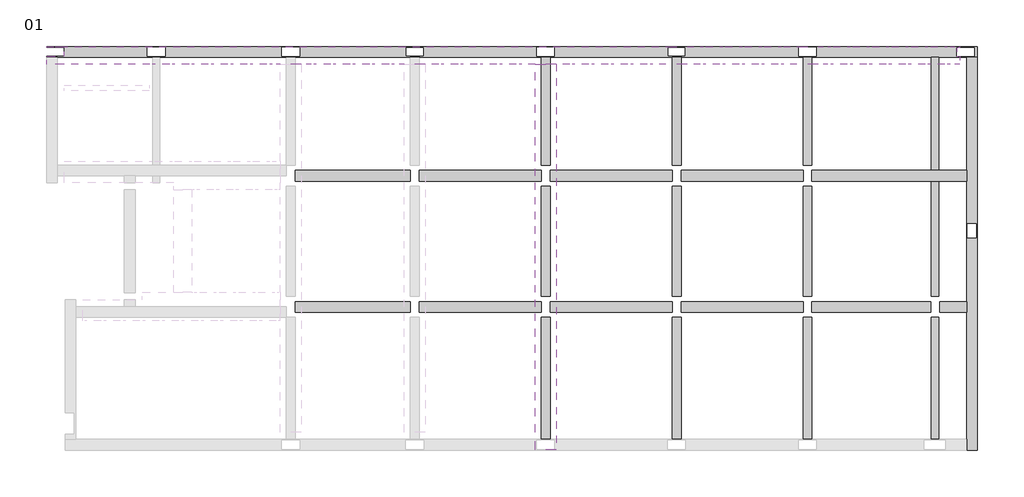
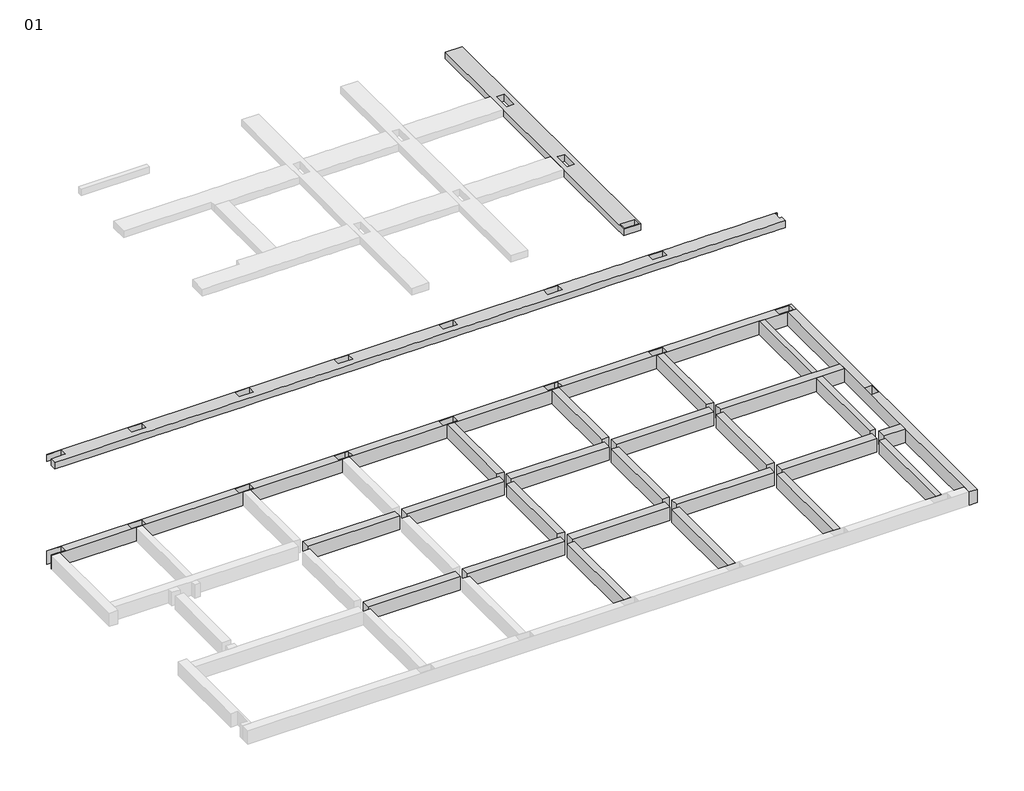
# One storey, part 2 of 2: 12 beams.
"""IFC4 building model written with IfcOpenShell, lengths in millimetres."""

from ifc_helpers import new_model, si_unit, frame, origin, place, context, project, spatial, polyline, outline, extrude, faceted_brep, element, save

model = new_model("IFC4")

# Units and contexts
model_context = context("Model", 3, world=origin())
ifc_project = project(units=[si_unit("LENGTHUNIT", "METRE", prefix="MILLI")], contexts=[model_context])

# Site, building, storey
site = spatial("IfcSite", under=ifc_project)
building = spatial("IfcBuilding", under=site)
storey = spatial("IfcBuildingStorey", under=building, Name="01", Elevation=-150.0)

# Beams
placement = place(None, origin())
element("IfcBeam", 1, ObjectType="B1 300 x 500 mm", at=placement, inside=storey, context=model_context, shape_type="Brep", body=[
    faceted_brep([(250.0, 128.106066, -150.0), (250.0, -121.893934, -150.0), (-250.0, -121.893934, -150.0), (-250.0, -146.893934, -150.0), (50.0, -146.893934, -150.0), (2753.7850434, -146.893934, -150.0), (2953.7850434, -146.893934, -150.0), (6525.0390798, -146.893934, -150.0), (6775.0390798, -146.893934, -150.0), (10025.0390798, -146.893934, -150.0), (10275.0390798, -146.893934, -150.0), (10275.0390798, -121.893934, -150.0), (9900.0390798, -121.893934, -150.0), (9900.0390798, 128.106066, -150.0), (10275.0390798, 128.106066, -150.0), (10275.0390798, 153.106066, -150.0), (-250.0, 153.106066, -150.0), (-250.0, 128.106066, -150.0), (2600.0, 128.106066, -150.0), (3100.0, 128.106066, -150.0), (3100.0, -121.893934, -150.0), (2600.0, -121.893934, -150.0), (6400.0390798, 128.106066, -150.0), (6900.0390798, 128.106066, -150.0), (6900.0390798, -121.893934, -150.0), (6400.0390798, -121.893934, -150.0), (-250.0, -146.893934, -650.0), (50.0, -146.893934, -650.0), (2753.7850434, -146.893934, -650.0), (2953.7850434, -146.893934, -650.0), (6525.0390798, -146.893934, -650.0), (6775.0390798, -146.893934, -650.0), (10025.0390798, -146.893934, -650.0), (10275.0390798, -146.893934, -650.0), (250.0, -121.893934, -650.0), (250.0, 128.106066, -650.0), (-250.0, 128.106066, -650.0), (-250.0, 153.106066, -650.0), (10275.0390798, 153.106066, -650.0), (10275.0390798, 128.106066, -650.0), (9900.0390798, 128.106066, -650.0), (9900.0390798, -121.893934, -650.0), (10275.0390798, -121.893934, -650.0), (-250.0, -121.893934, -650.0), (3100.0, 128.106066, -650.0), (2600.0, 128.106066, -650.0), (2600.0, -121.893934, -650.0), (3100.0, -121.893934, -650.0), (6900.0390798, 128.106066, -650.0), (6400.0390798, 128.106066, -650.0), (6400.0390798, -121.893934, -650.0), (6900.0390798, -121.893934, -650.0)], [[[0, 1, 2, 3, 4, 5, 6, 7, 8, 9, 10, 11, 12, 13, 14, 15, 16, 17], [18, 19, 20, 21], [22, 23, 24, 25]], [[3, 26, 27, 28, 29, 30, 31, 32, 33, 10, 9, 8, 7, 6, 5, 4]], [[34, 35, 36, 37, 38, 39, 40, 41, 42, 33, 32, 31, 30, 29, 28, 27, 26, 43], [44, 45, 46, 47], [48, 49, 50, 51]], [[37, 16, 15, 38]], [[34, 1, 0, 35]], [[35, 0, 17, 36]], [[1, 34, 43, 2]], [[18, 45, 44, 19]], [[45, 18, 21, 46]], [[46, 21, 20, 47]], [[19, 44, 47, 20]], [[22, 49, 48, 23]], [[49, 22, 25, 50]], [[50, 25, 24, 51]], [[23, 48, 51, 24]], [[13, 40, 39, 14]], [[40, 13, 12, 41]], [[41, 12, 11, 42]], [[26, 3, 2, 43]], [[16, 37, 36, 17]], [[10, 33, 42, 11]], [[38, 15, 14, 39]]]),
])
element("IfcBeam", 2, ObjectType="B1 300 x 500 mm", at=placement, inside=storey, context=model_context, shape_type="Brep", body=[
    faceted_brep([(25750.0000727, -11246.893934, -150.0), (26050.0000727, -11246.893934, -150.0), (26050.0000727, -146.893934, -150.0), (25750.0000727, -146.893934, -150.0), (25750.0000727, -3346.893934, -150.0), (25750.0000727, -3646.893934, -150.0), (25750.0000727, -7056.8939341, -150.0), (25750.0000727, -7356.8939341, -150.0), (25750.0000727, -10946.893934, -150.0), (25766.5, -5246.8939341, -150.0), (25766.5, -4846.8939341, -150.0), (26016.5, -4846.8939341, -150.0), (26016.5, -5246.8939341, -150.0), (25750.0000727, -11246.893934, -650.0), (25750.0000727, -146.893934, -650.0), (25750.0000727, -3346.893934, -650.0), (25750.0000727, -3646.893934, -650.0), (25750.0000727, -7056.8939341, -650.0), (25750.0000727, -7356.8939341, -650.0), (25750.0000727, -10946.893934, -650.0), (26050.0000727, -11246.893934, -650.0), (26050.0000727, -146.893934, -650.0), (25766.5, -4846.8939341, -650.0), (25766.5, -5246.8939341, -650.0), (26016.5, -5246.8939341, -650.0), (26016.5, -4846.8939341, -650.0)], [[[0, 1, 2, 3, 4, 5, 6, 7, 8], [9, 10, 11, 12]], [[13, 0, 8, 7, 6, 5, 4, 3, 14, 15, 16, 17, 18, 19]], [[20, 13, 19, 18, 17, 16, 15, 14, 21], [22, 23, 24, 25]], [[1, 20, 21, 2]], [[9, 23, 22, 10]], [[23, 9, 12, 24]], [[24, 12, 11, 25]], [[10, 22, 25, 11]], [[1, 0, 13, 20]], [[3, 2, 21, 14]]]),
])
element("IfcBeam", 3, ObjectType="B1 300 x 500 mm", at=placement, inside=storey, context=model_context, shape_type="Brep", body=[
    faceted_brep([(25750.0000727, -3646.893934, -150.0), (25750.0000727, -3646.893934, -650.0), (25750.0000727, -3346.893934, -650.0), (25750.0000727, -3346.893934, -150.0), (21375.0390798, -3646.893934, -150.0), (21375.0390798, -3346.893934, -150.0), (21375.0390798, -3346.893934, -650.0), (21375.0390798, -3646.893934, -650.0), (24950.0, -3346.893934, -150.0), (24750.0, -3346.893934, -150.0), (24750.0, -3646.893934, -150.0), (24950.0, -3646.893934, -150.0), (24950.0, -3346.893934, -650.0), (24750.0, -3346.893934, -650.0), (24950.0, -3646.893934, -650.0), (24750.0, -3646.893934, -650.0)], [[[0, 1, 2, 3]], [[4, 5, 6, 7]], [[0, 3, 8, 9, 5, 4, 10, 11]], [[3, 2, 12, 13, 6, 5, 9, 8]], [[2, 1, 14, 15, 7, 6, 13, 12]], [[1, 0, 11, 10, 4, 7, 15, 14]]]),
    faceted_brep([(21125.0390798, -3646.893934, -150.0), (21125.0390798, -3346.893934, -150.0), (17675.0390798, -3346.893934, -150.0), (17675.0390798, -3646.893934, -150.0), (21125.0390798, -3346.893934, -650.0), (17675.0390798, -3346.893934, -650.0), (21125.0390798, -3646.893934, -650.0), (17675.0390798, -3646.893934, -650.0)], [[[0, 1, 2, 3]], [[1, 4, 5, 2]], [[4, 6, 7, 5]], [[6, 0, 3, 7]], [[1, 0, 6, 4]], [[3, 2, 5, 7]]]),
    faceted_brep([(17425.0390798, -3346.893934, -150.0), (17425.0390798, -3646.893934, -150.0), (17425.0390798, -3646.893934, -650.0), (17425.0390798, -3346.893934, -650.0), (13975.0390798, -3646.893934, -150.0), (13975.0390798, -3346.893934, -150.0), (13975.0390798, -3346.893934, -650.0), (13975.0390798, -3646.893934, -650.0)], [[[0, 1, 2, 3]], [[4, 5, 6, 7]], [[1, 0, 5, 4]], [[0, 3, 6, 5]], [[3, 2, 7, 6]], [[2, 1, 4, 7]]]),
    faceted_brep([(10275.0390798, -3646.893934, -150.0), (13725.0390798, -3646.893934, -150.0), (13725.0390798, -3346.893934, -150.0), (10275.0390798, -3346.893934, -150.0), (13725.0390798, -3346.893934, -650.0), (10275.0390798, -3346.893934, -650.0), (13725.0390798, -3646.893934, -650.0), (10275.0390798, -3646.893934, -650.0)], [[[0, 1, 2, 3]], [[3, 2, 4, 5]], [[5, 4, 6, 7]], [[1, 0, 7, 6]], [[2, 1, 6, 4]], [[0, 3, 5, 7]]]),
    faceted_brep([(10025.0390798, -3346.893934, -150.0), (10025.0390798, -3646.893934, -150.0), (10025.0390798, -3646.893934, -650.0), (10025.0390798, -3346.893934, -650.0), (6775.0390798, -3346.893934, -150.0), (6775.0390798, -3646.893934, -150.0), (6775.0390798, -3346.893934, -650.0), (6775.0390798, -3646.893934, -650.0)], [[[0, 1, 2, 3]], [[1, 0, 4, 5]], [[0, 3, 6, 4]], [[3, 2, 7, 6]], [[2, 1, 5, 7]], [[5, 4, 6, 7]]]),
])
element("IfcBeam", 4, ObjectType="B1 300 x 500 mm", at=placement, inside=storey, context=model_context, shape_type="SweptSolid", body=[
    extrude(outline(polyline([(25750.0000727, -7056.8939341), (25750.0000727, -7356.8939341), (24985.2850434, -7356.8939341), (24985.2850434, -7056.8939341), (25750.0000727, -7056.8939341)])), frame((0.0, 0.0, -650.0), z_axis=(0.0, 0.0, 1.0), x_axis=(1.0, 0.0, 0.0)), (0.0, 0.0, 1.0), 500.0),
    extrude(outline(polyline([(24735.2850434, -7056.8939341), (24735.2850434, -7356.8939341), (21375.0390798, -7356.8939341), (21375.0390798, -7056.8939341), (24735.2850434, -7056.8939341)])), frame((0.0, 0.0, -650.0), z_axis=(0.0, 0.0, 1.0), x_axis=(1.0, 0.0, 0.0)), (0.0, 0.0, 1.0), 500.0),
    extrude(outline(polyline([(21125.0390798, -7056.8939341), (21125.0390798, -7356.8939341), (17675.0390798, -7356.8939341), (17675.0390798, -7056.8939341), (21125.0390798, -7056.8939341)])), frame((0.0, 0.0, -650.0), z_axis=(0.0, 0.0, 1.0), x_axis=(1.0, 0.0, 0.0)), (0.0, 0.0, 1.0), 500.0),
    extrude(outline(polyline([(13975.0390798, -7056.8939341), (17425.0390798, -7056.8939341), (17425.0390798, -7356.8939341), (13975.0390798, -7356.8939341), (13975.0390798, -7056.8939341)])), frame((0.0, 0.0, -650.0), z_axis=(0.0, 0.0, 1.0), x_axis=(1.0, 0.0, 0.0)), (0.0, 0.0, 1.0), 500.0),
    extrude(outline(polyline([(10275.0390798, -7056.8939341), (13725.0390798, -7056.8939341), (13725.0390798, -7356.8939341), (10275.0390798, -7356.8939341), (10275.0390798, -7056.8939341)])), frame((0.0, 0.0, -650.0), z_axis=(0.0, 0.0, 1.0), x_axis=(1.0, 0.0, 0.0)), (0.0, 0.0, 1.0), 500.0),
    extrude(outline(polyline([(10025.0390798, -7056.8939341), (10025.0390798, -7356.8939341), (6775.0390798, -7356.8939341), (6775.0390798, -7056.8939341), (10025.0390798, -7056.8939341)])), frame((0.0, 0.0, -650.0), z_axis=(0.0, 0.0, 1.0), x_axis=(1.0, 0.0, 0.0)), (0.0, 0.0, 1.0), 500.0),
])
element("IfcBeam", 5, ObjectType="B1 300 x 500 mm", at=placement, inside=storey, context=model_context, shape_type="Brep", body=[
    faceted_brep([(10400.0390798, 128.106066, -150.0), (10400.0390798, -121.893934, -150.0), (10275.0390798, -121.893934, -150.0), (10275.0390798, -146.893934, -150.0), (13725.0390798, -146.893934, -150.0), (13975.0390798, -146.893934, -150.0), (17425.0390798, -146.893934, -150.0), (17675.0390798, -146.893934, -150.0), (17675.0390798, -121.893934, -150.0), (17300.0390798, -121.893934, -150.0), (17300.0390798, 128.106066, -150.0), (17675.0390798, 128.106066, -150.0), (17675.0390798, 153.106066, -150.0), (10275.0390798, 153.106066, -150.0), (10275.0390798, 128.106066, -150.0), (14100.0390798, 128.106066, -150.0), (14100.0390798, -121.893934, -150.0), (13600.0390798, -121.893934, -150.0), (13600.0390798, 128.106066, -150.0), (17675.0390798, -146.893934, -650.0), (10275.0390798, -146.893934, -650.0), (13725.0390798, -146.893934, -650.0), (13975.0390798, -146.893934, -650.0), (17425.0390798, -146.893934, -650.0), (10400.0390798, -121.893934, -650.0), (10400.0390798, 128.106066, -650.0), (10275.0390798, 128.106066, -650.0), (10275.0390798, 153.106066, -650.0), (17675.0390798, 153.106066, -650.0), (17675.0390798, 128.106066, -650.0), (17300.0390798, 128.106066, -650.0), (17300.0390798, -121.893934, -650.0), (17675.0390798, -121.893934, -650.0), (10275.0390798, -121.893934, -650.0), (14100.0390798, -121.893934, -650.0), (14100.0390798, 128.106066, -650.0), (13600.0390798, 128.106066, -650.0), (13600.0390798, -121.893934, -650.0)], [[[0, 1, 2, 3, 4, 5, 6, 7, 8, 9, 10, 11, 12, 13, 14], [15, 16, 17, 18]], [[19, 7, 6, 5, 4, 3, 20, 21, 22, 23]], [[24, 25, 26, 27, 28, 29, 30, 31, 32, 19, 23, 22, 21, 20, 33], [34, 35, 36, 37]], [[12, 28, 27, 13]], [[24, 1, 0, 25]], [[25, 0, 14, 26]], [[1, 24, 33, 2]], [[34, 16, 15, 35]], [[35, 15, 18, 36]], [[36, 18, 17, 37]], [[16, 34, 37, 17]], [[10, 30, 29, 11]], [[30, 10, 9, 31]], [[31, 9, 8, 32]], [[3, 2, 33, 20]], [[14, 13, 27, 26]], [[7, 19, 32, 8]], [[28, 12, 11, 29]]]),
])
element("IfcBeam", 6, ObjectType="B1 300 x 500 mm", at=placement, inside=storey, context=model_context, shape_type="Brep", body=[
    faceted_brep([(26050.0000727, 153.106066, -150.0), (26050.0000727, -146.893934, -150.0), (26050.0000727, -146.893934, -650.0), (26050.0000727, 153.106066, -650.0), (17675.0390798, 153.106066, -150.0), (17675.0390798, 128.106066, -150.0), (17800.0390798, 128.106066, -150.0), (17800.0390798, -121.893934, -150.0), (17675.0390798, -121.893934, -150.0), (17675.0390798, -146.893934, -150.0), (21125.0390798, -146.893934, -150.0), (21375.0390798, -146.893934, -150.0), (24750.0, -146.893934, -150.0), (24950.0, -146.893934, -150.0), (25750.0000727, -146.893934, -150.0), (21500.0390798, 128.106066, -150.0), (21500.0390798, -121.893934, -150.0), (21000.0390798, -121.893934, -150.0), (21000.0390798, 128.106066, -150.0), (25966.5, 125.0, -150.0), (25966.5, -125.0, -150.0), (25466.5, -125.0, -150.0), (25466.5, 125.0, -150.0), (17675.0390798, -146.893934, -650.0), (21125.0390798, -146.893934, -650.0), (21375.0390798, -146.893934, -650.0), (24750.0, -146.893934, -650.0), (24950.0, -146.893934, -650.0), (25750.0000727, -146.893934, -650.0), (17675.0390798, -121.893934, -650.0), (17800.0390798, -121.893934, -650.0), (17800.0390798, 128.106066, -650.0), (17675.0390798, 128.106066, -650.0), (17675.0390798, 153.106066, -650.0), (21500.0390798, -121.893934, -650.0), (21500.0390798, 128.106066, -650.0), (21000.0390798, 128.106066, -650.0), (21000.0390798, -121.893934, -650.0), (25966.5, -125.0, -650.0), (25966.5, 125.0, -650.0), (25466.5, 125.0, -650.0), (25466.5, -125.0, -650.0)], [[[0, 1, 2, 3]], [[1, 0, 4, 5, 6, 7, 8, 9, 10, 11, 12, 13, 14], [15, 16, 17, 18], [19, 20, 21, 22]], [[2, 1, 14, 13, 12, 11, 10, 9, 23, 24, 25, 26, 27, 28]], [[3, 2, 28, 27, 26, 25, 24, 23, 29, 30, 31, 32, 33], [34, 35, 36, 37], [38, 39, 40, 41]], [[0, 3, 33, 4]], [[30, 7, 6, 31]], [[31, 6, 5, 32]], [[7, 30, 29, 8]], [[34, 16, 15, 35]], [[35, 15, 18, 36]], [[36, 18, 17, 37]], [[16, 34, 37, 17]], [[38, 20, 19, 39]], [[39, 19, 22, 40]], [[40, 22, 21, 41]], [[20, 38, 41, 21]], [[9, 8, 29, 23]], [[5, 4, 33, 32]]]),
])
element("IfcBeam", 7, ObjectType="B2 250 x 500 mm", at=placement, inside=storey, context=model_context, shape_type="SweptSolid", body=[
    extrude(outline(polyline([(21125.0390798, -146.893934), (21375.0390798, -146.893934), (21375.0390798, -3195.451857), (21125.0390798, -3195.451857), (21125.0390798, -146.893934)])), frame((0.0, 0.0, -650.0), z_axis=(0.0, 0.0, 1.0), x_axis=(1.0, 0.0, 0.0)), (0.0, 0.0, 1.0), 500.0),
    extrude(outline(polyline([(21375.0390798, -10946.8939341), (21125.0390798, -10946.8939341), (21125.0390798, -7496.8939341), (21375.0390798, -7496.8939341), (21375.0390798, -10946.8939341)])), frame((0.0, 0.0, -650.0), z_axis=(0.0, 0.0, 1.0), x_axis=(1.0, 0.0, 0.0)), (0.0, 0.0, 1.0), 500.0),
    extrude(outline(polyline([(21375.0390798, -6896.8939341), (21125.0390798, -6896.8939341), (21125.0390798, -3795.451857), (21375.0390798, -3795.451857), (21375.0390798, -6896.8939341)])), frame((0.0, 0.0, -650.0), z_axis=(0.0, 0.0, 1.0), x_axis=(1.0, 0.0, 0.0)), (0.0, 0.0, 1.0), 500.0),
])
element("IfcBeam", 8, ObjectType="B2 250 x 500 mm", at=placement, inside=storey, context=model_context, shape_type="SweptSolid", body=[
    extrude(outline(polyline([(17675.0390798, -3195.451857), (17425.0390798, -3195.451857), (17425.0390798, -146.893934), (17675.0390798, -146.893934), (17675.0390798, -3195.451857)])), frame((0.0, 0.0, -650.0), z_axis=(0.0, 0.0, 1.0), x_axis=(1.0, 0.0, 0.0)), (0.0, 0.0, 1.0), 500.0),
    extrude(outline(polyline([(17675.0390798, -10946.8939341), (17425.0390798, -10946.8939341), (17425.0390798, -7496.8939341), (17675.0390798, -7496.8939341), (17675.0390798, -10946.8939341)])), frame((0.0, 0.0, -650.0), z_axis=(0.0, 0.0, 1.0), x_axis=(1.0, 0.0, 0.0)), (0.0, 0.0, 1.0), 500.0),
    extrude(outline(polyline([(17675.0390798, -6896.8939341), (17425.0390798, -6896.8939341), (17425.0390798, -3795.451857), (17675.0390798, -3795.451857), (17675.0390798, -6896.8939341)])), frame((0.0, 0.0, -650.0), z_axis=(0.0, 0.0, 1.0), x_axis=(1.0, 0.0, 0.0)), (0.0, 0.0, 1.0), 500.0),
])
element("IfcBeam", 9, ObjectType="B2 250 x 500 mm", at=placement, inside=storey, context=model_context, shape_type="SweptSolid", body=[
    extrude(outline(polyline([(13725.0390798, -146.893934), (13975.0390798, -146.893934), (13975.0390798, -3195.451857), (13725.0390798, -3195.451857), (13725.0390798, -146.893934)])), frame((0.0, 0.0, -650.0), z_axis=(0.0, 0.0, 1.0), x_axis=(1.0, 0.0, 0.0)), (0.0, 0.0, 1.0), 500.0),
    extrude(outline(polyline([(13975.0390798, -10946.893934), (13725.0390798, -10946.893934), (13725.0390798, -7496.8939341), (13975.0390798, -7496.8939341), (13975.0390798, -10946.893934)])), frame((0.0, 0.0, -650.0), z_axis=(0.0, 0.0, 1.0), x_axis=(1.0, 0.0, 0.0)), (0.0, 0.0, 1.0), 500.0),
    extrude(outline(polyline([(13975.0390798, -6896.8939341), (13725.0390798, -6896.8939341), (13725.0390798, -3795.451857), (13975.0390798, -3795.451857), (13975.0390798, -6896.8939341)])), frame((0.0, 0.0, -650.0), z_axis=(0.0, 0.0, 1.0), x_axis=(1.0, 0.0, 0.0)), (0.0, 0.0, 1.0), 500.0),
])
element("IfcBeam", 10, ObjectType="B3 200 x 500 mm 2", at=placement, inside=storey, context=model_context, shape_type="SweptSolid", body=[
    extrude(outline(polyline([(24750.0, -146.893934), (24950.0, -146.893934), (24950.0, -3346.893934), (24750.0, -3346.893934), (24750.0, -146.893934)])), frame((0.0, 0.0, -650.0), z_axis=(0.0, 0.0, 1.0), x_axis=(1.0, 0.0, 0.0)), (0.0, 0.0, 1.0), 500.0),
    extrude(outline(polyline([(24950.0, -10946.893934), (24750.0, -10946.893934), (24750.0, -7496.8939341), (24950.0, -7496.8939341), (24950.0, -10946.893934)])), frame((0.0, 0.0, -650.0), z_axis=(0.0, 0.0, 1.0), x_axis=(1.0, 0.0, 0.0)), (0.0, 0.0, 1.0), 500.0),
    extrude(outline(polyline([(24950.0, -6896.8939341), (24750.0, -6896.8939341), (24750.0, -3646.893934), (24950.0, -3646.893934), (24950.0, -6896.8939341)])), frame((0.0, 0.0, -650.0), z_axis=(0.0, 0.0, 1.0), x_axis=(1.0, 0.0, 0.0)), (0.0, 0.0, 1.0), 500.0),
])
element("IfcBeam", 11, ObjectType="B5 500 x 250 mm", at=placement, inside=storey, context=model_context, shape_type="Brep", body=[
    faceted_brep([(250.0, -121.893934, 3450.0), (-250.0, -121.893934, 3450.0), (-250.0, -346.893934, 3450.0), (250.0, -346.893934, 3450.0), (2664.8770182, -346.893934, 3450.0), (2814.8770182, -346.893934, 3450.0), (3225.0195399, -346.893934, 3450.0), (3375.0195399, -346.893934, 3450.0), (3775.0195399, -346.893934, 3450.0), (3925.0195399, -346.893934, 3450.0), (4325.0195399, -346.893934, 3450.0), (4475.0195399, -346.893934, 3450.0), (4875.0195399, -346.893934, 3450.0), (5025.0195399, -346.893934, 3450.0), (5425.0195399, -346.893934, 3450.0), (5575.0195399, -346.893934, 3450.0), (5975.0195399, -346.893934, 3450.0), (6125.0195399, -346.893934, 3450.0), (6350.0390798, -346.893934, 3450.0), (6950.0390798, -346.893934, 3450.0), (7225.0390798, -346.893934, 3450.0), (7375.0390798, -346.893934, 3450.0), (7775.0390798, -346.893934, 3450.0), (7925.0390798, -346.893934, 3450.0), (8325.0390798, -346.893934, 3450.0), (8475.0390798, -346.893934, 3450.0), (8875.0390798, -346.893934, 3450.0), (9025.0390798, -346.893934, 3450.0), (9425.0390798, -346.893934, 3450.0), (9575.0390798, -346.893934, 3450.0), (9850.0390798, -346.893934, 3450.0), (10450.0390798, -346.893934, 3450.0), (10825.0390798, -346.893934, 3450.0), (10975.0390798, -346.893934, 3450.0), (11375.0390798, -346.893934, 3450.0), (11525.0390798, -346.893934, 3450.0), (11925.0390798, -346.893934, 3450.0), (12075.0390798, -346.893934, 3450.0), (12475.0390798, -346.893934, 3450.0), (12625.0390798, -346.893934, 3450.0), (13025.0390798, -346.893934, 3450.0), (13175.0390798, -346.893934, 3450.0), (13550.0390798, -346.893934, 3450.0), (14150.0390798, -346.893934, 3450.0), (14525.0390798, -346.893934, 3450.0), (14675.0390798, -346.893934, 3450.0), (15075.0390798, -346.893934, 3450.0), (15225.0390798, -346.893934, 3450.0), (15625.0390798, -346.893934, 3450.0), (15775.0390798, -346.893934, 3450.0), (16175.0390798, -346.893934, 3450.0), (16325.0390798, -346.893934, 3450.0), (16725.0390798, -346.893934, 3450.0), (16875.0390798, -346.893934, 3450.0), (17250.0390798, -346.893934, 3450.0), (17850.0390798, -346.893934, 3450.0), (18225.0390798, -346.893934, 3450.0), (18375.0390798, -346.893934, 3450.0), (18775.0390798, -346.893934, 3450.0), (18925.0390798, -346.893934, 3450.0), (19325.0390798, -346.893934, 3450.0), (19475.0390798, -346.893934, 3450.0), (19875.0390798, -346.893934, 3450.0), (20025.0390798, -346.893934, 3450.0), (20425.0390798, -346.893934, 3450.0), (20575.0390798, -346.893934, 3450.0), (20950.0390798, -346.893934, 3450.0), (21550.0390798, -346.893934, 3450.0), (21825.0195763, -346.893934, 3450.0), (21975.0195763, -346.893934, 3450.0), (22375.0195763, -346.893934, 3450.0), (22525.0195763, -346.893934, 3450.0), (22925.0195763, -346.893934, 3450.0), (23075.0195763, -346.893934, 3450.0), (23475.0195763, -346.893934, 3450.0), (23625.0195763, -346.893934, 3450.0), (24025.0195763, -346.893934, 3450.0), (24175.0195763, -346.893934, 3450.0), (24575.0195763, -346.893934, 3450.0), (24725.0195763, -346.893934, 3450.0), (25125.0195763, -346.893934, 3450.0), (25275.0195763, -346.893934, 3450.0), (25550.0000727, -346.893934, 3450.0), (25550.0000727, -125.0, 3450.0), (25466.5, -125.0, 3450.0), (25466.5, 125.0, 3450.0), (25550.0000727, 125.0, 3450.0), (25550.0000727, 153.106066, 3450.0), (25275.0195763, 153.106066, 3450.0), (25125.0195763, 153.106066, 3450.0), (24725.0195763, 153.106066, 3450.0), (24575.0195763, 153.106066, 3450.0), (24175.0195763, 153.106066, 3450.0), (24025.0195763, 153.106066, 3450.0), (23625.0195763, 153.106066, 3450.0), (23475.0195763, 153.106066, 3450.0), (23075.0195763, 153.106066, 3450.0), (22925.0195763, 153.106066, 3450.0), (22525.0195763, 153.106066, 3450.0), (22375.0195763, 153.106066, 3450.0), (21975.0195763, 153.106066, 3450.0), (21825.0195763, 153.106066, 3450.0), (21550.0390798, 153.106066, 3450.0), (20950.0390798, 153.106066, 3450.0), (20575.0390798, 153.106066, 3450.0), (20425.0390798, 153.106066, 3450.0), (20025.0390798, 153.106066, 3450.0), (19875.0390798, 153.106066, 3450.0), (19475.0390798, 153.106066, 3450.0), (19325.0390798, 153.106066, 3450.0), (18925.0390798, 153.106066, 3450.0), (18775.0390798, 153.106066, 3450.0), (18375.0390798, 153.106066, 3450.0), (18225.0390798, 153.106066, 3450.0), (17850.0390798, 153.106066, 3450.0), (17250.0390798, 153.106066, 3450.0), (-250.0, 153.106066, 3450.0), (-250.0, 128.106066, 3450.0), (250.0, 128.106066, 3450.0), (2600.0, -121.893934, 3450.0), (2600.0, 128.106066, 3450.0), (3100.0, 128.106066, 3450.0), (3100.0, -121.893934, 3450.0), (6400.0390798, -121.893934, 3450.0), (6400.0390798, 128.106066, 3450.0), (6900.0390798, 128.106066, 3450.0), (6900.0390798, -121.893934, 3450.0), (9900.0390798, -121.893934, 3450.0), (9900.0390798, 128.106066, 3450.0), (10400.0390798, 128.106066, 3450.0), (10400.0390798, -121.893934, 3450.0), (13600.0390798, -121.893934, 3450.0), (13600.0390798, 128.106066, 3450.0), (14100.0390798, 128.106066, 3450.0), (14100.0390798, -121.893934, 3450.0), (17300.0390798, -121.893934, 3450.0), (17300.0390798, 128.106066, 3450.0), (17800.0390798, 128.106066, 3450.0), (17800.0390798, -121.893934, 3450.0), (21000.0390798, -121.893934, 3450.0), (21000.0390798, 128.106066, 3450.0), (21500.0390798, 128.106066, 3450.0), (21500.0390798, -121.893934, 3450.0), (-250.0, -346.893934, 3200.0), (250.0, -346.893934, 3200.0), (2664.8770182, -346.893934, 3200.0), (2814.8770182, -346.893934, 3200.0), (3225.0195399, -346.893934, 3200.0), (3375.0195399, -346.893934, 3200.0), (3775.0195399, -346.893934, 3200.0), (3925.0195399, -346.893934, 3200.0), (4325.0195399, -346.893934, 3200.0), (4475.0195399, -346.893934, 3200.0), (4875.0195399, -346.893934, 3200.0), (5025.0195399, -346.893934, 3200.0), (5425.0195399, -346.893934, 3200.0), (5575.0195399, -346.893934, 3200.0), (5975.0195399, -346.893934, 3200.0), (6125.0195399, -346.893934, 3200.0), (6350.0390798, -346.893934, 3200.0), (6950.0390798, -346.893934, 3200.0), (7225.0390798, -346.893934, 3200.0), (7375.0390798, -346.893934, 3200.0), (7775.0390798, -346.893934, 3200.0), (7925.0390798, -346.893934, 3200.0), (8325.0390798, -346.893934, 3200.0), (8475.0390798, -346.893934, 3200.0), (8875.0390798, -346.893934, 3200.0), (9025.0390798, -346.893934, 3200.0), (9425.0390798, -346.893934, 3200.0), (9575.0390798, -346.893934, 3200.0), (9850.0390798, -346.893934, 3200.0), (10450.0390798, -346.893934, 3200.0), (10825.0390798, -346.893934, 3200.0), (10975.0390798, -346.893934, 3200.0), (11375.0390798, -346.893934, 3200.0), (11525.0390798, -346.893934, 3200.0), (11925.0390798, -346.893934, 3200.0), (12075.0390798, -346.893934, 3200.0), (12475.0390798, -346.893934, 3200.0), (12625.0390798, -346.893934, 3200.0), (13025.0390798, -346.893934, 3200.0), (13175.0390798, -346.893934, 3200.0), (13550.0390798, -346.893934, 3200.0), (14150.0390798, -346.893934, 3200.0), (14525.0390798, -346.893934, 3200.0), (14675.0390798, -346.893934, 3200.0), (15075.0390798, -346.893934, 3200.0), (15225.0390798, -346.893934, 3200.0), (15625.0390798, -346.893934, 3200.0), (15775.0390798, -346.893934, 3200.0), (16175.0390798, -346.893934, 3200.0), (16325.0390798, -346.893934, 3200.0), (16725.0390798, -346.893934, 3200.0), (16875.0390798, -346.893934, 3200.0), (17250.0390798, -346.893934, 3200.0), (17850.0390798, -346.893934, 3200.0), (18225.0390798, -346.893934, 3200.0), (18375.0390798, -346.893934, 3200.0), (18775.0390798, -346.893934, 3200.0), (18925.0390798, -346.893934, 3200.0), (19325.0390798, -346.893934, 3200.0), (19475.0390798, -346.893934, 3200.0), (19875.0390798, -346.893934, 3200.0), (20025.0390798, -346.893934, 3200.0), (20425.0390798, -346.893934, 3200.0), (20575.0390798, -346.893934, 3200.0), (20950.0390798, -346.893934, 3200.0), (21550.0390798, -346.893934, 3200.0), (21825.0195763, -346.893934, 3200.0), (21975.0195763, -346.893934, 3200.0), (22375.0195763, -346.893934, 3200.0), (22525.0195763, -346.893934, 3200.0), (22925.0195763, -346.893934, 3200.0), (23075.0195763, -346.893934, 3200.0), (23475.0195763, -346.893934, 3200.0), (23625.0195763, -346.893934, 3200.0), (24025.0195763, -346.893934, 3200.0), (24175.0195763, -346.893934, 3200.0), (24575.0195763, -346.893934, 3200.0), (24725.0195763, -346.893934, 3200.0), (25125.0195763, -346.893934, 3200.0), (25275.0195763, -346.893934, 3200.0), (25550.0000727, -346.893934, 3200.0), (-250.0, -121.893934, 3200.0), (250.0, -121.893934, 3200.0), (250.0, 128.106066, 3200.0), (-250.0, 128.106066, 3200.0), (-250.0, 153.106066, 3200.0), (17250.0390798, 153.106066, 3200.0), (17850.0390798, 153.106066, 3200.0), (18225.0390798, 153.106066, 3200.0), (18375.0390798, 153.106066, 3200.0), (18775.0390798, 153.106066, 3200.0), (18925.0390798, 153.106066, 3200.0), (19325.0390798, 153.106066, 3200.0), (19475.0390798, 153.106066, 3200.0), (19875.0390798, 153.106066, 3200.0), (20025.0390798, 153.106066, 3200.0), (20425.0390798, 153.106066, 3200.0), (20575.0390798, 153.106066, 3200.0), (20950.0390798, 153.106066, 3200.0), (21550.0390798, 153.106066, 3200.0), (21825.0195763, 153.106066, 3200.0), (21975.0195763, 153.106066, 3200.0), (22375.0195763, 153.106066, 3200.0), (22525.0195763, 153.106066, 3200.0), (22925.0195763, 153.106066, 3200.0), (23075.0195763, 153.106066, 3200.0), (23475.0195763, 153.106066, 3200.0), (23625.0195763, 153.106066, 3200.0), (24025.0195763, 153.106066, 3200.0), (24175.0195763, 153.106066, 3200.0), (24575.0195763, 153.106066, 3200.0), (24725.0195763, 153.106066, 3200.0), (25125.0195763, 153.106066, 3200.0), (25275.0195763, 153.106066, 3200.0), (25550.0000727, 153.106066, 3200.0), (25550.0000727, 125.0, 3200.0), (25466.5, 125.0, 3200.0), (25466.5, -125.0, 3200.0), (25550.0000727, -125.0, 3200.0), (2600.0, 128.106066, 3200.0), (2600.0, -121.893934, 3200.0), (3100.0, -121.893934, 3200.0), (3100.0, 128.106066, 3200.0), (6400.0390798, 128.106066, 3200.0), (6400.0390798, -121.893934, 3200.0), (6900.0390798, -121.893934, 3200.0), (6900.0390798, 128.106066, 3200.0), (9900.0390798, 128.106066, 3200.0), (9900.0390798, -121.893934, 3200.0), (10400.0390798, -121.893934, 3200.0), (10400.0390798, 128.106066, 3200.0), (13600.0390798, 128.106066, 3200.0), (13600.0390798, -121.893934, 3200.0), (14100.0390798, -121.893934, 3200.0), (14100.0390798, 128.106066, 3200.0), (17300.0390798, 128.106066, 3200.0), (17300.0390798, -121.893934, 3200.0), (17800.0390798, -121.893934, 3200.0), (17800.0390798, 128.106066, 3200.0), (21000.0390798, 128.106066, 3200.0), (21000.0390798, -121.893934, 3200.0), (21500.0390798, -121.893934, 3200.0), (21500.0390798, 128.106066, 3200.0)], [[[0, 1, 2, 3, 4, 5, 6, 7, 8, 9, 10, 11, 12, 13, 14, 15, 16, 17, 18, 19, 20, 21, 22, 23, 24, 25, 26, 27, 28, 29, 30, 31, 32, 33, 34, 35, 36, 37, 38, 39, 40, 41, 42, 43, 44, 45, 46, 47, 48, 49, 50, 51, 52, 53, 54, 55, 56, 57, 58, 59, 60, 61, 62, 63, 64, 65, 66, 67, 68, 69, 70, 71, 72, 73, 74, 75, 76, 77, 78, 79, 80, 81, 82, 83, 84, 85, 86, 87, 88, 89, 90, 91, 92, 93, 94, 95, 96, 97, 98, 99, 100, 101, 102, 103, 104, 105, 106, 107, 108, 109, 110, 111, 112, 113, 114, 115, 116, 117, 118], [119, 120, 121, 122], [123, 124, 125, 126], [127, 128, 129, 130], [131, 132, 133, 134], [135, 136, 137, 138], [139, 140, 141, 142]], [[2, 143, 144, 145, 146, 147, 148, 149, 150, 151, 152, 153, 154, 155, 156, 157, 158, 159, 160, 161, 162, 163, 164, 165, 166, 167, 168, 169, 170, 171, 172, 173, 174, 175, 176, 177, 178, 179, 180, 181, 182, 183, 184, 185, 186, 187, 188, 189, 190, 191, 192, 193, 194, 195, 196, 197, 198, 199, 200, 201, 202, 203, 204, 205, 206, 207, 208, 209, 210, 211, 212, 213, 214, 215, 216, 217, 218, 219, 220, 221, 222, 223, 82, 81, 80, 79, 78, 77, 76, 75, 74, 73, 72, 71, 70, 69, 68, 67, 66, 65, 64, 63, 62, 61, 60, 59, 58, 57, 56, 55, 54, 53, 52, 51, 50, 49, 48, 47, 46, 45, 44, 43, 42, 41, 40, 39, 38, 37, 36, 35, 34, 33, 32, 31, 30, 29, 28, 27, 26, 25, 24, 23, 22, 21, 20, 19, 18, 17, 16, 15, 14, 13, 12, 11, 10, 9, 8, 7, 6, 5, 4, 3]], [[224, 225, 226, 227, 228, 229, 230, 231, 232, 233, 234, 235, 236, 237, 238, 239, 240, 241, 242, 243, 244, 245, 246, 247, 248, 249, 250, 251, 252, 253, 254, 255, 256, 257, 258, 259, 260, 261, 223, 222, 221, 220, 219, 218, 217, 216, 215, 214, 213, 212, 211, 210, 209, 208, 207, 206, 205, 204, 203, 202, 201, 200, 199, 198, 197, 196, 195, 194, 193, 192, 191, 190, 189, 188, 187, 186, 185, 184, 183, 182, 181, 180, 179, 178, 177, 176, 175, 174, 173, 172, 171, 170, 169, 168, 167, 166, 165, 164, 163, 162, 161, 160, 159, 158, 157, 156, 155, 154, 153, 152, 151, 150, 149, 148, 147, 146, 145, 144, 143], [262, 263, 264, 265], [266, 267, 268, 269], [270, 271, 272, 273], [274, 275, 276, 277], [278, 279, 280, 281], [282, 283, 284, 285]], [[228, 116, 115, 114, 113, 112, 111, 110, 109, 108, 107, 106, 105, 104, 103, 102, 101, 100, 99, 98, 97, 96, 95, 94, 93, 92, 91, 90, 89, 88, 87, 257, 256, 255, 254, 253, 252, 251, 250, 249, 248, 247, 246, 245, 244, 243, 242, 241, 240, 239, 238, 237, 236, 235, 234, 233, 232, 231, 230, 229]], [[225, 224, 1, 0]], [[226, 225, 0, 118]], [[227, 226, 118, 117]], [[263, 262, 120, 119]], [[264, 263, 119, 122]], [[262, 265, 121, 120]], [[265, 264, 122, 121]], [[267, 266, 124, 123]], [[268, 267, 123, 126]], [[266, 269, 125, 124]], [[269, 268, 126, 125]], [[271, 270, 128, 127]], [[272, 271, 127, 130]], [[270, 273, 129, 128]], [[273, 272, 130, 129]], [[275, 274, 132, 131]], [[276, 275, 131, 134]], [[274, 277, 133, 132]], [[277, 276, 134, 133]], [[279, 278, 136, 135]], [[280, 279, 135, 138]], [[278, 281, 137, 136]], [[281, 280, 138, 137]], [[283, 282, 140, 139]], [[284, 283, 139, 142]], [[282, 285, 141, 140]], [[285, 284, 142, 141]], [[260, 259, 85, 84]], [[260, 84, 83, 261]], [[85, 259, 258, 86]], [[83, 82, 223, 261]], [[87, 86, 258, 257]], [[116, 228, 227, 117]], [[143, 2, 1, 224]]]),
])
element("IfcBeam", 12, ObjectType="B6 600 x 250 mm", at=placement, inside=storey, context=model_context, shape_type="Brep", body=[
    faceted_brep([(13550.0390798, -346.893934, 13950.0), (14150.0390798, -346.893934, 13950.0), (14150.0390798, -346.893934, 13700.0), (13550.0390798, -346.893934, 13700.0), (13550.0390798, -3095.451857, 13950.0), (13550.0390798, -3895.451857, 13950.0), (13550.0390798, -6796.8939341, 13950.0), (13550.0390798, -7596.8939341, 13950.0), (13550.0390798, -10746.893934, 13950.0), (13550.0390798, -11246.893934, 13950.0), (14150.0390798, -11246.893934, 13950.0), (13600.0390798, -11221.8939341, 13950.0), (13600.0390798, -10971.8939341, 13950.0), (14100.0390798, -10971.8939341, 13950.0), (14100.0390798, -11221.8939341, 13950.0), (13725.0390798, -7496.8939341, 13950.0), (13725.0390798, -6896.8939341, 13950.0), (13975.0390798, -6896.8939341, 13950.0), (13975.0390798, -7496.8939341, 13950.0), (13725.0390798, -3795.451857, 13950.0), (13725.0390798, -3195.451857, 13950.0), (13975.0390798, -3195.451857, 13950.0), (13975.0390798, -3795.451857, 13950.0), (14150.0390798, -11246.893934, 13700.0), (13550.0390798, -11246.893934, 13700.0), (13550.0390798, -10746.893934, 13700.0), (13550.0390798, -7596.8939341, 13700.0), (13550.0390798, -6796.8939341, 13700.0), (13550.0390798, -3895.451857, 13700.0), (13550.0390798, -3095.451857, 13700.0), (13600.0390798, -10971.8939341, 13700.0), (13600.0390798, -11221.8939341, 13700.0), (14100.0390798, -11221.8939341, 13700.0), (14100.0390798, -10971.8939341, 13700.0), (13725.0390798, -6896.8939341, 13700.0), (13725.0390798, -7496.8939341, 13700.0), (13975.0390798, -7496.8939341, 13700.0), (13975.0390798, -6896.8939341, 13700.0), (13725.0390798, -3195.451857, 13700.0), (13725.0390798, -3795.451857, 13700.0), (13975.0390798, -3795.451857, 13700.0), (13975.0390798, -3195.451857, 13700.0)], [[[0, 1, 2, 3]], [[1, 0, 4, 5, 6, 7, 8, 9, 10], [11, 12, 13, 14], [15, 16, 17, 18], [19, 20, 21, 22]], [[2, 1, 10, 23]], [[3, 2, 23, 24, 25, 26, 27, 28, 29], [30, 31, 32, 33], [34, 35, 36, 37], [38, 39, 40, 41]], [[0, 3, 29, 28, 27, 26, 25, 24, 9, 8, 7, 6, 5, 4]], [[10, 9, 24, 23]], [[30, 12, 11, 31]], [[31, 11, 14, 32]], [[32, 14, 13, 33]], [[12, 30, 33, 13]], [[15, 35, 34, 16]], [[35, 15, 18, 36]], [[36, 18, 17, 37]], [[16, 34, 37, 17]], [[38, 20, 19, 39]], [[39, 19, 22, 40]], [[40, 22, 21, 41]], [[20, 38, 41, 21]]]),
])

save(model, "model.ifc")
